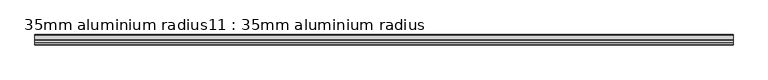
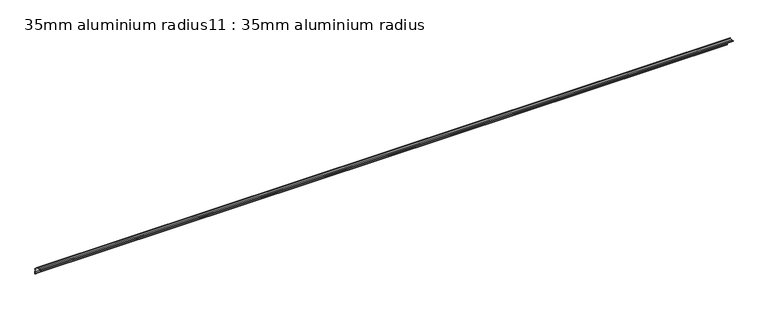
"""IFC4 building model written with IfcOpenShell, lengths in millimetres: proxy geometry, 35mm aluminium radius11 : 35mm aluminium radius."""

import ifcopenshell
import ifcopenshell.guid

model = None  # the IFC model being written
_history = None  # IfcOwnerHistory: only IFC2X3 demands one
_inside = {}  # id of a spatial element -> (the spatial element, [elements in it])
_under = {}  # id of a project, library or spatial element -> (it, [spatial elements below it])
_declared = {}  # id of a project -> (the project, [libraries it declares])
_typed = {}  # id of a type object -> (the type object, [elements of that type])
_made_of = {}  # id of a material, layer set ... -> (it, [elements and type objects made of it])


def new_model(schema):
    """Start an empty IFC model of exactly this schema.

    Asked for "IFC4X3", IfcOpenShell would pick the latest addendum, in which some entities
    have other attributes; the version numbers below select the first issue.
    IFC2X3 requires an IfcOwnerHistory on every rooted entity: one is made here for all.
    """
    global model, _history
    if schema == "IFC4X3":
        model = ifcopenshell.file(schema_version=(4, 3, 0, 0))
    else:
        model = ifcopenshell.file(schema=schema)
    _inside.clear()
    _under.clear()
    _declared.clear()
    _typed.clear()
    _made_of.clear()
    _history = None
    if model.schema == "IFC2X3":
        org = make("IfcOrganization", Name="unknown")
        user = make(
            "IfcPersonAndOrganization",
            ThePerson=make("IfcPerson", FamilyName="unknown"),
            TheOrganization=org,
        )
        app = make(
            "IfcApplication",
            ApplicationDeveloper=org,
            Version="unknown",
            ApplicationFullName="unknown",
            ApplicationIdentifier="unknown",
        )
        _history = make(
            "IfcOwnerHistory",
            OwningUser=user,
            OwningApplication=app,
            ChangeAction="ADDED",
            CreationDate=0,
        )
    return model


def make(cls, **values):
    """One entity of the class cls with the attributes given. An attribute that is None is left unset."""
    return model.create_entity(
        cls, **{name: value for name, value in values.items() if value is not None}
    )


def rooted(cls, **values):
    """An entity with a GlobalId (a new one), such as an element, a storey or a relation."""
    return make(cls, GlobalId=ifcopenshell.guid.new(), OwnerHistory=_history, **values)


def si_unit(unit_type, name, prefix=None):
    """IfcSIUnit, for example si_unit("LENGTHUNIT", "METRE", prefix="MILLI")."""
    return make("IfcSIUnit", UnitType=unit_type, Prefix=prefix, Name=name)


def assignment(units):
    """IfcUnitAssignment: the units of a project."""
    return None if units is None else make("IfcUnitAssignment", Units=units)


def point(xyz):
    """IfcCartesianPoint."""
    return None if xyz is None else make("IfcCartesianPoint", Coordinates=xyz)


def direction(xyz):
    """IfcDirection."""
    return None if xyz is None else make("IfcDirection", DirectionRatios=xyz)


def frame(location, z_axis=None, x_axis=None):
    """IfcAxis2Placement3D, a coordinate frame: its origin and axes. An axis left out is left unset."""
    return make(
        "IfcAxis2Placement3D",
        Location=point(location),
        Axis=direction(z_axis),
        RefDirection=direction(x_axis),
    )


def frame_2d(location, x_axis=None):
    """IfcAxis2Placement2D, a coordinate frame in the plane: its origin and x axis."""
    return make(
        "IfcAxis2Placement2D", Location=point(location), RefDirection=direction(x_axis)
    )


def origin():
    """The frame at (0, 0, 0) with its axes left unset."""
    return frame((0.0, 0.0, 0.0))


def place(relative_to, where):
    """IfcLocalPlacement: puts the frame where relative to a parent placement (None: the world)."""
    return make(
        "IfcLocalPlacement", PlacementRelTo=relative_to, RelativePlacement=where
    )


def context(
    kind, dimensions, precision=None, world=None, true_north=None, identifier=None
):
    """IfcGeometricRepresentationContext, for example the 3D "Model" context."""
    return make(
        "IfcGeometricRepresentationContext",
        ContextIdentifier=identifier,
        ContextType=kind,
        CoordinateSpaceDimension=dimensions,
        Precision=precision,
        WorldCoordinateSystem=world,
        TrueNorth=true_north,
    )


def project(units=None, contexts=None):
    """IfcProject with its units and contexts."""
    return rooted(
        "IfcProject",
        Name="project",
        RepresentationContexts=contexts,
        UnitsInContext=assignment(units),
    )


def spatial(cls, under=None, at=None, **own):
    """A site, building, storey or space (cls), placed at a placement, below another one or the project."""
    s = rooted(cls, ObjectPlacement=at, **own)
    if under is not None:
        _under.setdefault(under.id(), (under, []))[1].append(s)
    return s


def polyline(points):
    """IfcPolyline through the points."""
    return make("IfcPolyline", Points=[point(p) for p in points])


def circle_curve(where, radius):
    """IfcCircle in the frame where."""
    return make("IfcCircle", Position=where, Radius=radius)


def trimmed(basis, trim1, trim2, sense, master):
    """IfcTrimmedCurve: the piece of a basis curve between two trims."""
    return make(
        "IfcTrimmedCurve",
        BasisCurve=basis,
        Trim1=trim1,
        Trim2=trim2,
        SenseAgreement=sense,
        MasterRepresentation=master,
    )


def segment(curve, same_sense, transition):
    """IfcCompositeCurveSegment."""
    return make(
        "IfcCompositeCurveSegment",
        Transition=transition,
        SameSense=same_sense,
        ParentCurve=curve,
    )


def composite_curve(segments, self_intersect=None):
    """IfcCompositeCurve: segments joined end to end."""
    return make("IfcCompositeCurve", Segments=segments, SelfIntersect=self_intersect)


def outline(outer, holes=None, kind="AREA"):
    """IfcArbitraryClosedProfileDef: a profile drawn as a closed curve; with holes, ...WithVoids."""
    if holes is None:
        return make("IfcArbitraryClosedProfileDef", ProfileType=kind, OuterCurve=outer)
    return make(
        "IfcArbitraryProfileDefWithVoids",
        ProfileType=kind,
        OuterCurve=outer,
        InnerCurves=holes,
    )


def extrude(swept, where, along, depth):
    """IfcExtrudedAreaSolid: the profile swept, set in the frame where, extruded along a direction by depth."""
    return make(
        "IfcExtrudedAreaSolid",
        SweptArea=swept,
        Position=where,
        ExtrudedDirection=direction(along),
        Depth=depth,
    )


def shape(context_of_items, identifier, shape_type, items):
    """IfcShapeRepresentation: the items that make up one representation, for example the "Body"."""
    return make(
        "IfcShapeRepresentation",
        ContextOfItems=context_of_items,
        RepresentationIdentifier=identifier,
        RepresentationType=shape_type,
        Items=items,
    )


def source(mapping_origin, context_of_items, identifier, shape_type, items):
    """IfcRepresentationMap: a shape defined once, which mapped items show again and again."""
    return make(
        "IfcRepresentationMap",
        MappingOrigin=mapping_origin,
        MappedRepresentation=shape(context_of_items, identifier, shape_type, items),
    )


def transform(
    local_origin,
    x_axis=None,
    y_axis=None,
    z_axis=None,
    scale=None,
    scale2=None,
    scale3=None,
    uniform=True,
):
    """IfcCartesianTransformationOperator3D, or its non-uniform kind. x_axis, y_axis, z_axis: its Axis1, 2, 3."""
    if uniform:
        return make(
            "IfcCartesianTransformationOperator3D",
            Axis1=direction(x_axis),
            Axis2=direction(y_axis),
            LocalOrigin=point(local_origin),
            Scale=scale,
            Axis3=direction(z_axis),
        )
    return make(
        "IfcCartesianTransformationOperator3DnonUniform",
        Axis1=direction(x_axis),
        Axis2=direction(y_axis),
        LocalOrigin=point(local_origin),
        Scale=scale,
        Axis3=direction(z_axis),
        Scale2=scale2,
        Scale3=scale3,
    )


def mapped(mapping_source, mapping_target):
    """IfcMappedItem: shows the shape of a source again, moved by a transform."""
    return make(
        "IfcMappedItem", MappingSource=mapping_source, MappingTarget=mapping_target
    )


def made_of(thing, what):
    """Note that an element or type object is made of a material, layer set ...; save() writes the relation."""
    if what is not None:
        _made_of.setdefault(what.id(), (what, []))[1].append(thing)
    return thing


def element(
    cls,
    number,
    at=None,
    inside=None,
    cuts=None,
    type_object=None,
    material=None,
    context=None,
    identifier="Body",
    shape_type=None,
    held_by="IfcProductDefinitionShape",
    body=None,
    shapes=None,
    **own,
):
    """One element of the class cls, such as IfcWall. Its Tag is "e" and its number.

    at: its placement. inside: the storey or other place that contains it. cuts: it is an
    opening in that element (IfcRelVoidsElement). A single representation is given by context,
    identifier, shape_type and body (its items); several are given by shapes. held_by: the class
    of the entity that holds the representations. save() writes the other relations.
    """
    e = rooted(cls, Tag="e%d" % number, ObjectPlacement=at, **own)
    if body is not None:
        shapes = [shape(context, identifier, shape_type, body)]
    if shapes is not None:
        e.Representation = make(held_by, Representations=shapes)
    if inside is not None:
        _inside.setdefault(inside.id(), (inside, []))[1].append(e)
    if cuts is not None:
        rooted(
            "IfcRelVoidsElement", RelatingBuildingElement=cuts, RelatedOpeningElement=e
        )
    if type_object is not None:
        _typed.setdefault(type_object.id(), (type_object, []))[1].append(e)
    return made_of(e, material)


def aggregate(whole, parts):
    """IfcRelAggregates: a whole, such as a stair, and the parts it consists of."""
    return rooted("IfcRelAggregates", RelatingObject=whole, RelatedObjects=parts)


def save(model, path):
    """Write the relations noted so far, then the file.

    IfcRelAggregates (storeys below a building ...), IfcRelContainedInSpatialStructure (elements
    in a storey), IfcRelDefinesByType, IfcRelAssociatesMaterial and IfcRelDeclares: one each for
    every whole, place, type object, material and project.
    """
    for whole, parts in _under.values():
        aggregate(whole, parts)
    for where, things in _inside.values():
        rooted(
            "IfcRelContainedInSpatialStructure",
            RelatedElements=things,
            RelatingStructure=where,
        )
    for kind, things in _typed.values():
        rooted("IfcRelDefinesByType", RelatedObjects=things, RelatingType=kind)
    for what, things in _made_of.values():
        rooted("IfcRelAssociatesMaterial", RelatedObjects=things, RelatingMaterial=what)
    for by, libraries in _declared.values():
        rooted("IfcRelDeclares", RelatingContext=by, RelatedDefinitions=libraries)
    model.write(path)


def proxy_35mm_aluminium_radius11_35mm_aluminium_radius_e75c31fc(model_context):
    return source(origin(), model_context, "Body", "SweptSolid", [
        extrude(outline(composite_curve([segment(trimmed(circle_curve(frame_2d((823.7313315, 1427.0527479)), 1.2042709), [point((822.9480353, 1426.1380265))], [point((824.0016076, 1425.8791981))], True, "CARTESIAN"), True, "CONTINUOUS"), segment(polyline([(824.0016076, 1425.8791981), (830.7098712, 1425.9291528)]), True, "CONTINUOUS"), segment(trimmed(circle_curve(frame_2d((830.9064595, 1399.5298847)), 26.4), [point((830.7098712, 1425.9291528))], [point((838.7188928, 1424.7474557))], False, "CARTESIAN"), True, "CONTINUOUS"), segment(polyline([(838.7188928, 1424.7474557), (838.7066708, 1426.3887139), (840.106632, 1426.399139), (840.1224945, 1424.2690177)]), True, "CONTINUOUS"), segment(trimmed(circle_curve(frame_2d((830.9064595, 1399.5298847)), 26.4), [point((840.1224945, 1424.2690177))], [point((855.5055978, 1409.1133286))], False, "CARTESIAN"), True, "CONTINUOUS"), segment(polyline([(855.5055978, 1409.1133286), (857.6357191, 1409.129191), (857.6461443, 1407.7292298), (856.0048861, 1407.7170078)]), True, "CONTINUOUS"), segment(trimmed(circle_curve(frame_2d((830.9064595, 1399.5298847)), 26.4), [point((856.0048861, 1407.7170078))], [point((857.3057276, 1399.726473))], False, "CARTESIAN"), True, "CONTINUOUS"), segment(polyline([(857.3057276, 1399.726473), (857.3529854, 1393.3803569)]), True, "CONTINUOUS"), segment(trimmed(circle_curve(frame_2d((860.2058042, 1393.207402)), 2.8580567), [point((857.3529854, 1393.3803569))], [point((857.6301724, 1391.9686085))], True, "CARTESIAN"), True, "CONTINUOUS"), segment(trimmed(circle_curve(frame_2d((857.2660472, 1391.6259529)), 0.5), [point((857.6301724, 1391.9686085))], [point((856.935583, 1391.2507284))], False, "CARTESIAN"), True, "CONTINUOUS"), segment(trimmed(circle_curve(frame_2d((858.9523497, 1393.471686)), 3.0), [point((856.935583, 1391.2507284))], [point((855.9524328, 1393.4493464))], False, "CARTESIAN"), True, "CONTINUOUS"), segment(polyline([(855.9524328, 1393.4493464), (855.9057664, 1399.7160479)]), True, "CONTINUOUS"), segment(trimmed(circle_curve(frame_2d((830.9064595, 1399.5298847)), 25.0), [point((855.9057664, 1399.7160479))], [point((830.7202964, 1424.5291916))], True, "CARTESIAN"), True, "CONTINUOUS"), segment(polyline([(830.7202964, 1424.5291916), (824.4535949, 1424.4825251)]), True, "CONTINUOUS"), segment(trimmed(circle_curve(frame_2d((824.4312553, 1427.482442)), 3.0), [point((824.4535949, 1424.4825251))], [point((822.2530772, 1425.4195459))], False, "CARTESIAN"), True, "CONTINUOUS"), segment(trimmed(circle_curve(frame_2d((822.6108405, 1425.7688387)), 0.5), [point((822.2530772, 1425.4195459))], [point((822.9480353, 1426.1380265))], False, "CARTESIAN"), True, "CONTINUOUS")], self_intersect=False)), frame((6987.3395579, 0.0, 0.0), z_axis=(1.0, 0.0, 0.0), x_axis=(0.0, 1.0, 0.0)), (0.0, 0.0, 1.0), 2400.0),
    ])


if __name__ == "__main__":
    model = new_model("IFC4")
    model_context = context("Model", 3, world=origin())
    ifc_project = project(units=[si_unit("LENGTHUNIT", "METRE", prefix="MILLI")], contexts=[model_context])
    site = spatial("IfcSite", under=ifc_project)
    building = spatial("IfcBuilding", under=site)
    placement = place(None, origin())
    proxy_35mm_aluminium_radius11_35mm_aluminium_radius_shape = proxy_35mm_aluminium_radius11_35mm_aluminium_radius_e75c31fc(model_context)
    element("IfcBuildingElementProxy", 1, Name="35mm aluminium radius11 : 35mm aluminium radius", ObjectType="35mm aluminium radius11 : 35mm aluminium radius", at=placement, inside=building, context=model_context, shape_type="MappedRepresentation", body=[
        mapped(proxy_35mm_aluminium_radius11_35mm_aluminium_radius_shape, transform((0.0, 0.0, 0.0), x_axis=(1.0, 0.0, 0.0), y_axis=(0.0, 1.0, 0.0), z_axis=(0.0, 0.0, 1.0))),
    ])
    save(model, "model.ifc")
